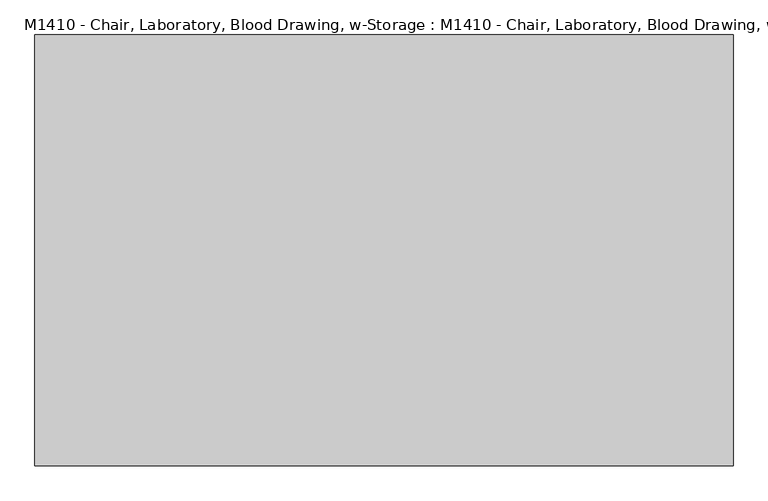
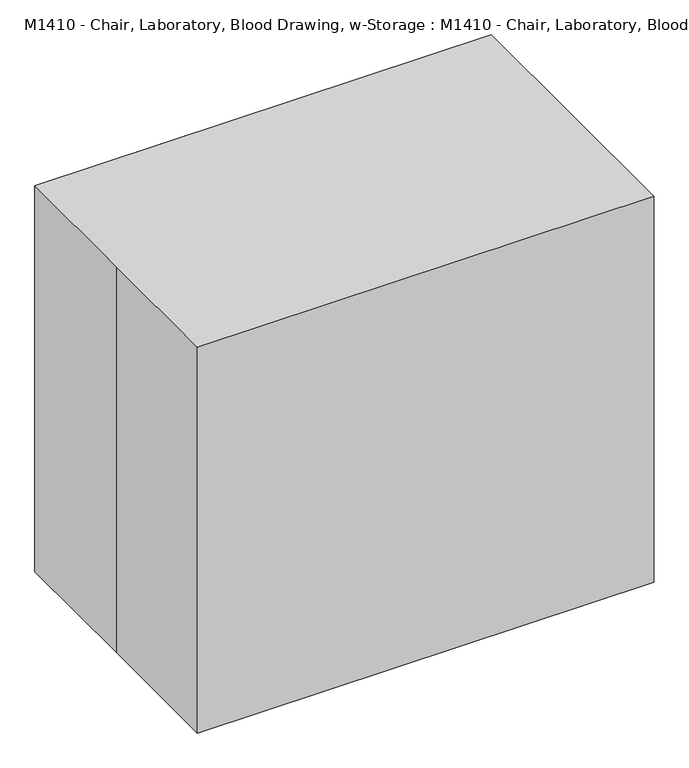
"""IFC4 building model written with IfcOpenShell, lengths in millimetres: proxy geometry, M1410 - Chair, Laboratory, Blood Drawing, w-Storage : M1410 - Chair, Laboratory, Blood Drawing, w-Storage."""

from ifc_helpers import new_model, si_unit, point, frame, frame_2d, origin, origin_with_axes, place, context, project, spatial, polyline, circle_curve, trimmed, segment, composite_curve, outline, extrude, source, transform, mapped, element, save


def m1410_chair_laboratory_blood_drawing_w_storage_m1410_chair_790b44d6(model_context):
    return source(origin(), model_context, "Body", "SweptSolid", [
        extrude(outline(composite_curve([segment(trimmed(circle_curve(frame_2d((-279.4, 673.1)), 12.7), [point((-279.4, 660.4))], [point((-279.4, 685.8))], False, "CARTESIAN"), True, "CONTINUOUS"), segment(polyline([(-279.4, 685.8), (165.1, 685.8)]), True, "CONTINUOUS"), segment(trimmed(circle_curve(frame_2d((165.1, 673.1)), 12.7), [point((165.1, 685.8))], [point((165.1, 660.4))], False, "CARTESIAN"), True, "CONTINUOUS"), segment(polyline([(165.1, 660.4), (-279.4, 660.4)]), True, "CONTINUOUS")], self_intersect=False)), frame((-463.55, 0.0, 0.0), z_axis=(1.0, 0.0, 0.0), x_axis=(0.0, 1.0, 0.0)), (0.0, 0.0, 1.0), 50.8),
        extrude(outline(polyline([(-425.45, 12.7), (-425.45, -12.7), (-450.85, -12.7), (-450.85, 12.7), (-425.45, 12.7)])), frame((0.0, 0.0, 76.2), z_axis=(0.0, 0.0, 1.0), x_axis=(1.0, 0.0, 0.0)), (0.0, 0.0, 1.0), 584.2),
        extrude(outline(composite_curve([segment(polyline([(508.0, 158.75), (965.2, 158.75)]), True, "CONTINUOUS"), segment(trimmed(circle_curve(frame_2d((681.2193669, -95.25)), 381.0), [point((965.2, 158.75))], [point((965.2, -349.25))], False, "CARTESIAN"), True, "CONTINUOUS"), segment(polyline([(965.2, -349.25), (508.0, -349.25), (508.0, 158.75)]), True, "CONTINUOUS")], self_intersect=False)), frame((0.0, 177.8, 0.0), z_axis=(0.0, 1.0, 0.0), x_axis=(0.0, 0.0, 1.0)), (0.0, 0.0, 1.0), 50.8),
        extrude(outline(composite_curve([segment(polyline([(165.1, 479.425), (165.1, 485.775), (177.8, 485.775), (177.8, 508.0), (184.15, 508.0), (184.15, 485.775)]), True, "CONTINUOUS"), segment(trimmed(circle_curve(frame_2d((177.8, 485.775)), 6.35), [point((184.15, 485.775))], [point((177.8, 479.425))], False, "CARTESIAN"), True, "CONTINUOUS"), segment(polyline([(177.8, 479.425), (165.1, 479.425)]), True, "CONTINUOUS")], self_intersect=False)), frame((107.95, 0.0, 0.0), z_axis=(1.0, 0.0, 0.0), x_axis=(0.0, 1.0, 0.0)), (0.0, 0.0, 1.0), 25.4),
        extrude(outline(composite_curve([segment(polyline([(165.1, 479.425), (165.1, 485.775), (177.8, 485.775), (177.8, 508.0), (184.15, 508.0), (184.15, 485.775)]), True, "CONTINUOUS"), segment(trimmed(circle_curve(frame_2d((177.8, 485.775)), 6.35), [point((184.15, 485.775))], [point((177.8, 479.425))], False, "CARTESIAN"), True, "CONTINUOUS"), segment(polyline([(177.8, 479.425), (165.1, 479.425)]), True, "CONTINUOUS")], self_intersect=False)), frame((-323.85, 0.0, 0.0), z_axis=(1.0, 0.0, 0.0), x_axis=(0.0, 1.0, 0.0)), (0.0, 0.0, 1.0), 25.4),
        extrude(outline(polyline([(-349.25, -292.1), (-349.25, 165.1), (158.75, 165.1), (158.75, -292.1), (-349.25, -292.1)])), frame((0.0, 0.0, 457.2), z_axis=(0.0, 0.0, 1.0), x_axis=(1.0, 0.0, 0.0)), (0.0, 0.0, 1.0), 50.8),
        extrude(outline(polyline([(171.45, 292.1), (476.25, 292.1), (476.25, -292.1), (171.45, -292.1), (171.45, 292.1)])), frame((0.0, 0.0, 457.2), z_axis=(0.0, 0.0, 1.0), x_axis=(1.0, 0.0, 0.0)), (0.0, 0.0, 1.0), 304.8),
        extrude(outline(composite_curve([segment(polyline([(317.5, 431.8), (317.5, 0.0), (292.1, 0.0), (292.1, 50.8), (-292.1, 50.8), (-292.1, 0.0), (-317.5, 0.0), (-317.5, 431.8)]), True, "CONTINUOUS"), segment(trimmed(circle_curve(frame_2d((-292.1, 431.8)), 25.4), [point((-317.5, 431.8))], [point((-292.1, 457.2))], False, "CARTESIAN"), True, "CONTINUOUS"), segment(polyline([(-292.1, 457.2), (292.1, 457.2)]), True, "CONTINUOUS"), segment(trimmed(circle_curve(frame_2d((292.1, 431.8)), 25.4), [point((292.1, 457.2))], [point((317.5, 431.8))], False, "CARTESIAN"), True, "CONTINUOUS")], self_intersect=False), holes=[composite_curve([segment(polyline([(-292.1, 419.1), (-292.1, 76.2), (292.1, 76.2), (292.1, 419.1)]), True, "CONTINUOUS"), segment(trimmed(circle_curve(frame_2d((279.4, 419.1)), 12.7), [point((292.1, 419.1))], [point((279.4, 431.8))], True, "CARTESIAN"), True, "CONTINUOUS"), segment(polyline([(279.4, 431.8), (-279.4, 431.8)]), True, "CONTINUOUS"), segment(trimmed(circle_curve(frame_2d((-279.4, 419.1)), 12.7), [point((-279.4, 431.8))], [point((-292.1, 419.1))], True, "CARTESIAN"), True, "CONTINUOUS")], self_intersect=False)]), frame((387.35, 0.0, 0.0), z_axis=(1.0, 0.0, 0.0), x_axis=(0.0, 1.0, 0.0)), (0.0, 0.0, 1.0), 25.4),
        extrude(outline(polyline([(387.35, 12.7), (387.35, -12.7), (-450.85, -12.7), (-450.85, 12.7), (387.35, 12.7)])), frame((0.0, 0.0, 50.8), z_axis=(0.0, 0.0, 1.0), x_axis=(1.0, 0.0, 0.0)), (0.0, 0.0, 1.0), 25.4),
        extrude(outline(polyline([(387.35, 76.2), (387.35, 50.8), (-450.85, 50.8), (-450.85, 76.2), (387.35, 76.2)])), frame((0.0, 0.0, 431.8), z_axis=(0.0, 0.0, 1.0), x_axis=(1.0, 0.0, 0.0)), (0.0, 0.0, 1.0), 25.4),
        extrude(outline(polyline([(387.35, -50.8), (387.35, -76.2), (-450.85, -76.2), (-450.85, -50.8), (387.35, -50.8)])), frame((0.0, 0.0, 431.8), z_axis=(0.0, 0.0, 1.0), x_axis=(1.0, 0.0, 0.0)), (0.0, 0.0, 1.0), 25.4),
        extrude(outline(composite_curve([segment(polyline([(317.5, 431.8), (317.5, 0.0), (292.1, 0.0), (292.1, 50.8), (-292.1, 50.8), (-292.1, 0.0), (-317.5, 0.0), (-317.5, 431.8)]), True, "CONTINUOUS"), segment(trimmed(circle_curve(frame_2d((-292.1, 431.8)), 25.4), [point((-317.5, 431.8))], [point((-292.1, 457.2))], False, "CARTESIAN"), True, "CONTINUOUS"), segment(polyline([(-292.1, 457.2), (292.1, 457.2)]), True, "CONTINUOUS"), segment(trimmed(circle_curve(frame_2d((292.1, 431.8)), 25.4), [point((292.1, 457.2))], [point((317.5, 431.8))], False, "CARTESIAN"), True, "CONTINUOUS")], self_intersect=False), holes=[composite_curve([segment(polyline([(-292.1, 419.1), (-292.1, 76.2), (292.1, 76.2), (292.1, 419.1)]), True, "CONTINUOUS"), segment(trimmed(circle_curve(frame_2d((279.4, 419.1)), 12.7), [point((292.1, 419.1))], [point((279.4, 431.8))], True, "CARTESIAN"), True, "CONTINUOUS"), segment(polyline([(279.4, 431.8), (-279.4, 431.8)]), True, "CONTINUOUS"), segment(trimmed(circle_curve(frame_2d((-279.4, 419.1)), 12.7), [point((-279.4, 431.8))], [point((-292.1, 419.1))], True, "CARTESIAN"), True, "CONTINUOUS")], self_intersect=False)]), frame((-476.25, 0.0, 0.0), z_axis=(1.0, 0.0, 0.0), x_axis=(0.0, 1.0, 0.0)), (0.0, 0.0, 1.0), 25.4),
        extrude(outline(polyline([(-596.9, 368.3), (596.9, 368.3), (596.9, -368.3), (-596.9, -368.3), (-596.9, 0.0), (-596.9, 368.3)])), origin_with_axes(), (0.0, 0.0, 1.0), 1066.8),
    ])


if __name__ == "__main__":
    model = new_model("IFC4")
    model_context = context("Model", 3, world=origin())
    ifc_project = project(units=[si_unit("LENGTHUNIT", "METRE", prefix="MILLI")], contexts=[model_context])
    site = spatial("IfcSite", under=ifc_project)
    building = spatial("IfcBuilding", under=site)
    placement = place(None, origin())
    m1410_chair_laboratory_blood_drawing_w_storage_m1410_chair_shape = m1410_chair_laboratory_blood_drawing_w_storage_m1410_chair_790b44d6(model_context)
    element("IfcBuildingElementProxy", 1, Name="M1410 - Chair, Laboratory, Blood Drawing, w-Storage : M1410 - Chair, Laboratory, Blood Drawing, w-Storage", ObjectType="M1410 - Chair, Laboratory, Blood Drawing, w-Storage : M1410 - Chair, Laboratory, Blood Drawing, w-Storage", at=placement, inside=building, context=model_context, shape_type="MappedRepresentation", body=[
        mapped(m1410_chair_laboratory_blood_drawing_w_storage_m1410_chair_shape, transform((0.0, 0.0, 0.0), x_axis=(1.0, 0.0, 0.0), y_axis=(0.0, 1.0, 0.0), z_axis=(0.0, 0.0, 1.0))),
    ])
    save(model, "model.ifc")
